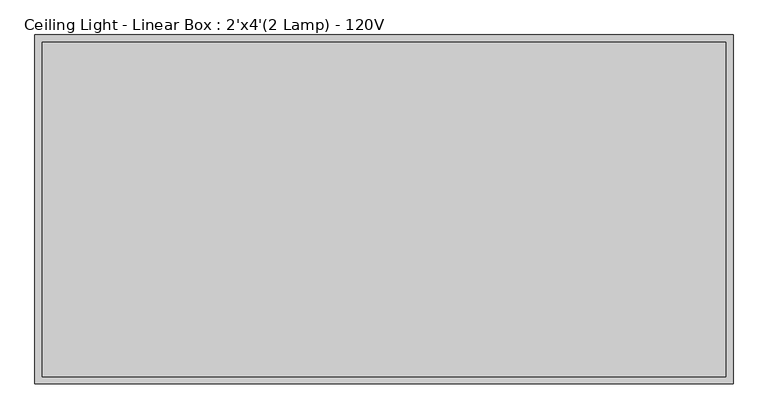
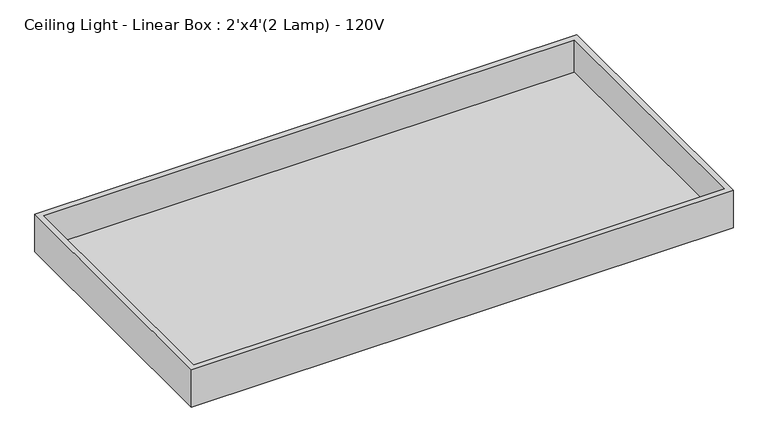
"""IFC4 building model written with IfcOpenShell, lengths in millimetres: light fixture geometry, Ceiling Light - Linear Box : 2'x4'(2 Lamp) - 120V."""

from ifc_helpers import new_model, si_unit, frame, origin, place, context, project, spatial, polyline, outline, extrude, source, transform, mapped, element, save


def ceiling_light_linear_box_2_x4_2_lamp_120v_32ea6347(model_context):
    return source(origin(), model_context, "Body", "SweptSolid", [
        extrude(outline(polyline([(596.9, -292.1), (-596.9, -292.1), (-596.9, 292.1), (596.9, 292.1), (596.9, -292.1)])), frame((0.0, 0.0, 2355.85), z_axis=(0.0, 0.0, 1.0), x_axis=(1.0, 0.0, 0.0)), (0.0, 0.0, 1.0), 6.35),
        extrude(outline(polyline([(609.6, -304.8), (-609.6, -304.8), (-609.6, 304.8), (609.6, 304.8), (609.6, -304.8)]), holes=[polyline([(596.9, -292.1), (596.9, 292.1), (-596.9, 292.1), (-596.9, -292.1), (596.9, -292.1)])]), frame((0.0, 0.0, 2349.5), z_axis=(0.0, 0.0, 1.0), x_axis=(1.0, 0.0, 0.0)), (0.0, 0.0, 1.0), 88.9),
    ])


if __name__ == "__main__":
    model = new_model("IFC4")
    model_context = context("Model", 3, world=origin())
    ifc_project = project(units=[si_unit("LENGTHUNIT", "METRE", prefix="MILLI")], contexts=[model_context])
    site = spatial("IfcSite", under=ifc_project)
    building = spatial("IfcBuilding", under=site)
    placement = place(None, origin())
    ceiling_light_linear_box_2_x4_2_lamp_120v_shape = ceiling_light_linear_box_2_x4_2_lamp_120v_32ea6347(model_context)
    element("IfcLightFixture", 1, ObjectType="Ceiling Light - Linear Box : 2'x4'(2 Lamp) - 120V", at=placement, inside=building, context=model_context, shape_type="MappedRepresentation", body=[
        mapped(ceiling_light_linear_box_2_x4_2_lamp_120v_shape, transform((0.0, 0.0, 0.0), x_axis=(1.0, 0.0, 0.0), y_axis=(0.0, 1.0, 0.0), z_axis=(0.0, 0.0, 1.0))),
    ])
    save(model, "model.ifc")
